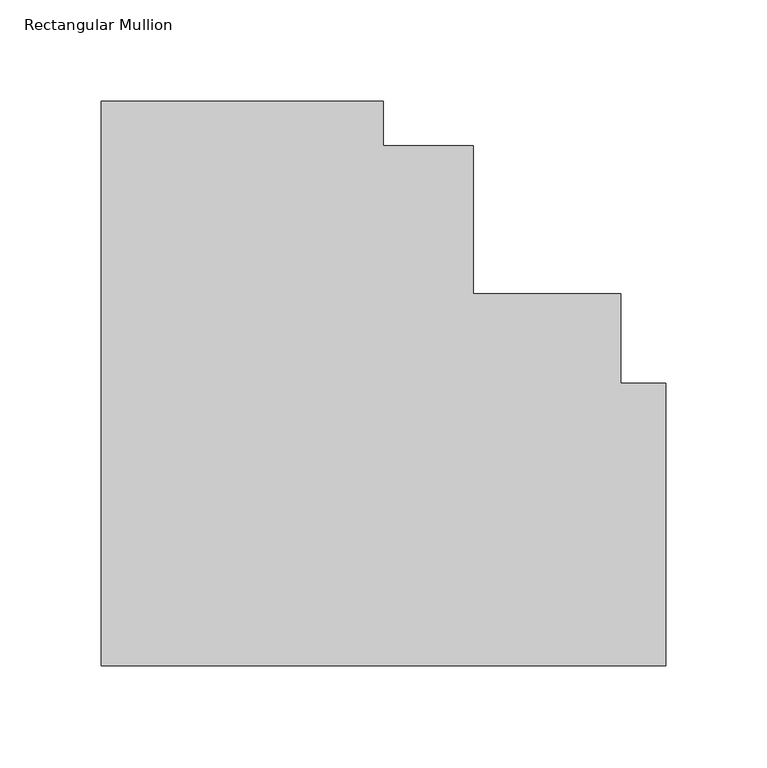
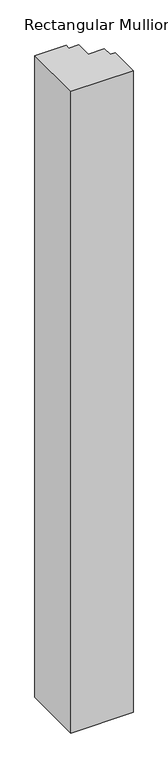
"""IFC4 building model written with IfcOpenShell, lengths in millimetres: member geometry, Rectangular Mullion."""

from ifc_helpers import new_model, si_unit, frame, origin, place, context, project, spatial, polyline, outline, extrude, source, transform, mapped, element, save


def rectangular_mullion_aedc3ff9(model_context):
    return source(origin(), model_context, "Body", "SweptSolid", [
        extrude(outline(polyline([(-279.4, -133.35), (-279.4, 146.0501132), (-139.700005, 146.0501132), (-139.700005, 123.825115), (-95.2500088, 123.825115), (-95.2500088, 50.8), (-22.2248974, 50.8), (-22.2248974, 6.3500056), (0.0, 6.3500056), (0.0, -133.35), (-279.4, -133.35)])), frame((0.0, 0.0, -3048.0), z_axis=(0.0, 0.0, 1.0), x_axis=(1.0, 0.0, 0.0)), (0.0, 0.0, 1.0), 3048.0),
    ])


if __name__ == "__main__":
    model = new_model("IFC4")
    model_context = context("Model", 3, world=origin())
    ifc_project = project(units=[si_unit("LENGTHUNIT", "METRE", prefix="MILLI")], contexts=[model_context])
    site = spatial("IfcSite", under=ifc_project)
    building = spatial("IfcBuilding", under=site)
    placement = place(None, origin())
    rectangular_mullion_shape = rectangular_mullion_aedc3ff9(model_context)
    element("IfcMember", 1, ObjectType="Rectangular Mullion", at=placement, inside=building, context=model_context, shape_type="MappedRepresentation", body=[
        mapped(rectangular_mullion_shape, transform((0.0, 0.0, 0.0), x_axis=(1.0, 0.0, 0.0), y_axis=(0.0, 1.0, 0.0), z_axis=(0.0, 0.0, 1.0))),
    ])
    save(model, "model.ifc")
